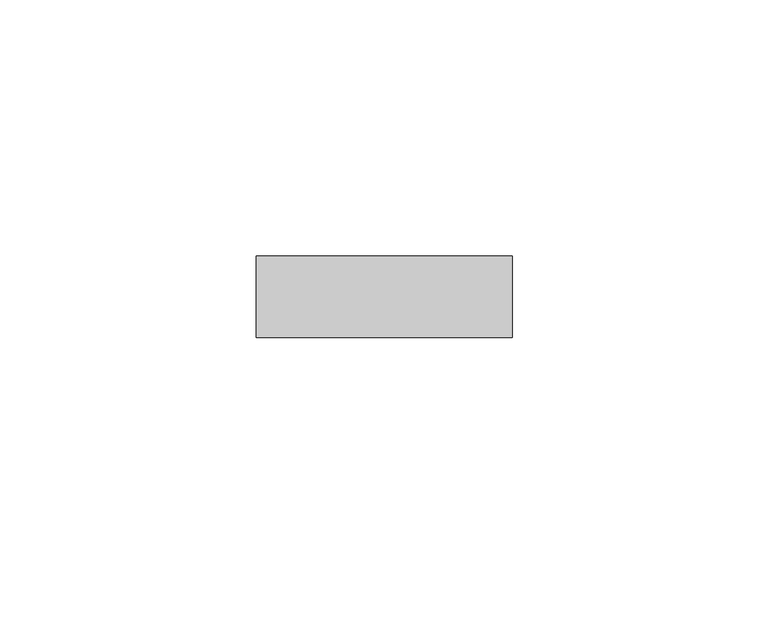
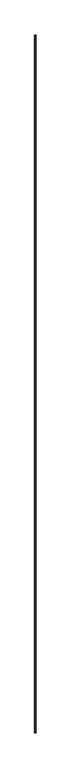
"""IFC4 building model written with IfcOpenShell, lengths in millimetres: proxy geometry."""

import ifcopenshell
import ifcopenshell.guid

model = None  # the IFC model being written
_history = None  # IfcOwnerHistory: only IFC2X3 demands one
_inside = {}  # id of a spatial element -> (the spatial element, [elements in it])
_under = {}  # id of a project, library or spatial element -> (it, [spatial elements below it])
_declared = {}  # id of a project -> (the project, [libraries it declares])
_typed = {}  # id of a type object -> (the type object, [elements of that type])
_made_of = {}  # id of a material, layer set ... -> (it, [elements and type objects made of it])


def new_model(schema):
    """Start an empty IFC model of exactly this schema.

    Asked for "IFC4X3", IfcOpenShell would pick the latest addendum, in which some entities
    have other attributes; the version numbers below select the first issue.
    IFC2X3 requires an IfcOwnerHistory on every rooted entity: one is made here for all.
    """
    global model, _history
    if schema == "IFC4X3":
        model = ifcopenshell.file(schema_version=(4, 3, 0, 0))
    else:
        model = ifcopenshell.file(schema=schema)
    _inside.clear()
    _under.clear()
    _declared.clear()
    _typed.clear()
    _made_of.clear()
    _history = None
    if model.schema == "IFC2X3":
        org = make("IfcOrganization", Name="unknown")
        user = make(
            "IfcPersonAndOrganization",
            ThePerson=make("IfcPerson", FamilyName="unknown"),
            TheOrganization=org,
        )
        app = make(
            "IfcApplication",
            ApplicationDeveloper=org,
            Version="unknown",
            ApplicationFullName="unknown",
            ApplicationIdentifier="unknown",
        )
        _history = make(
            "IfcOwnerHistory",
            OwningUser=user,
            OwningApplication=app,
            ChangeAction="ADDED",
            CreationDate=0,
        )
    return model


def make(cls, **values):
    """One entity of the class cls with the attributes given. An attribute that is None is left unset."""
    return model.create_entity(
        cls, **{name: value for name, value in values.items() if value is not None}
    )


def rooted(cls, **values):
    """An entity with a GlobalId (a new one), such as an element, a storey or a relation."""
    return make(cls, GlobalId=ifcopenshell.guid.new(), OwnerHistory=_history, **values)


def si_unit(unit_type, name, prefix=None):
    """IfcSIUnit, for example si_unit("LENGTHUNIT", "METRE", prefix="MILLI")."""
    return make("IfcSIUnit", UnitType=unit_type, Prefix=prefix, Name=name)


def assignment(units):
    """IfcUnitAssignment: the units of a project."""
    return None if units is None else make("IfcUnitAssignment", Units=units)


def point(xyz):
    """IfcCartesianPoint."""
    return None if xyz is None else make("IfcCartesianPoint", Coordinates=xyz)


def direction(xyz):
    """IfcDirection."""
    return None if xyz is None else make("IfcDirection", DirectionRatios=xyz)


def frame(location, z_axis=None, x_axis=None):
    """IfcAxis2Placement3D, a coordinate frame: its origin and axes. An axis left out is left unset."""
    return make(
        "IfcAxis2Placement3D",
        Location=point(location),
        Axis=direction(z_axis),
        RefDirection=direction(x_axis),
    )


def origin():
    """The frame at (0, 0, 0) with its axes left unset."""
    return frame((0.0, 0.0, 0.0))


def place(relative_to, where):
    """IfcLocalPlacement: puts the frame where relative to a parent placement (None: the world)."""
    return make(
        "IfcLocalPlacement", PlacementRelTo=relative_to, RelativePlacement=where
    )


def context(
    kind, dimensions, precision=None, world=None, true_north=None, identifier=None
):
    """IfcGeometricRepresentationContext, for example the 3D "Model" context."""
    return make(
        "IfcGeometricRepresentationContext",
        ContextIdentifier=identifier,
        ContextType=kind,
        CoordinateSpaceDimension=dimensions,
        Precision=precision,
        WorldCoordinateSystem=world,
        TrueNorth=true_north,
    )


def project(units=None, contexts=None):
    """IfcProject with its units and contexts."""
    return rooted(
        "IfcProject",
        Name="project",
        RepresentationContexts=contexts,
        UnitsInContext=assignment(units),
    )


def spatial(cls, under=None, at=None, **own):
    """A site, building, storey or space (cls), placed at a placement, below another one or the project."""
    s = rooted(cls, ObjectPlacement=at, **own)
    if under is not None:
        _under.setdefault(under.id(), (under, []))[1].append(s)
    return s


def polyline(points):
    """IfcPolyline through the points."""
    return make("IfcPolyline", Points=[point(p) for p in points])


def outline(outer, holes=None, kind="AREA"):
    """IfcArbitraryClosedProfileDef: a profile drawn as a closed curve; with holes, ...WithVoids."""
    if holes is None:
        return make("IfcArbitraryClosedProfileDef", ProfileType=kind, OuterCurve=outer)
    return make(
        "IfcArbitraryProfileDefWithVoids",
        ProfileType=kind,
        OuterCurve=outer,
        InnerCurves=holes,
    )


def extrude(swept, where, along, depth):
    """IfcExtrudedAreaSolid: the profile swept, set in the frame where, extruded along a direction by depth."""
    return make(
        "IfcExtrudedAreaSolid",
        SweptArea=swept,
        Position=where,
        ExtrudedDirection=direction(along),
        Depth=depth,
    )


def shape(context_of_items, identifier, shape_type, items):
    """IfcShapeRepresentation: the items that make up one representation, for example the "Body"."""
    return make(
        "IfcShapeRepresentation",
        ContextOfItems=context_of_items,
        RepresentationIdentifier=identifier,
        RepresentationType=shape_type,
        Items=items,
    )


def source(mapping_origin, context_of_items, identifier, shape_type, items):
    """IfcRepresentationMap: a shape defined once, which mapped items show again and again."""
    return make(
        "IfcRepresentationMap",
        MappingOrigin=mapping_origin,
        MappedRepresentation=shape(context_of_items, identifier, shape_type, items),
    )


def transform(
    local_origin,
    x_axis=None,
    y_axis=None,
    z_axis=None,
    scale=None,
    scale2=None,
    scale3=None,
    uniform=True,
):
    """IfcCartesianTransformationOperator3D, or its non-uniform kind. x_axis, y_axis, z_axis: its Axis1, 2, 3."""
    if uniform:
        return make(
            "IfcCartesianTransformationOperator3D",
            Axis1=direction(x_axis),
            Axis2=direction(y_axis),
            LocalOrigin=point(local_origin),
            Scale=scale,
            Axis3=direction(z_axis),
        )
    return make(
        "IfcCartesianTransformationOperator3DnonUniform",
        Axis1=direction(x_axis),
        Axis2=direction(y_axis),
        LocalOrigin=point(local_origin),
        Scale=scale,
        Axis3=direction(z_axis),
        Scale2=scale2,
        Scale3=scale3,
    )


def mapped(mapping_source, mapping_target):
    """IfcMappedItem: shows the shape of a source again, moved by a transform."""
    return make(
        "IfcMappedItem", MappingSource=mapping_source, MappingTarget=mapping_target
    )


def made_of(thing, what):
    """Note that an element or type object is made of a material, layer set ...; save() writes the relation."""
    if what is not None:
        _made_of.setdefault(what.id(), (what, []))[1].append(thing)
    return thing


def element(
    cls,
    number,
    at=None,
    inside=None,
    cuts=None,
    type_object=None,
    material=None,
    context=None,
    identifier="Body",
    shape_type=None,
    held_by="IfcProductDefinitionShape",
    body=None,
    shapes=None,
    **own,
):
    """One element of the class cls, such as IfcWall. Its Tag is "e" and its number.

    at: its placement. inside: the storey or other place that contains it. cuts: it is an
    opening in that element (IfcRelVoidsElement). A single representation is given by context,
    identifier, shape_type and body (its items); several are given by shapes. held_by: the class
    of the entity that holds the representations. save() writes the other relations.
    """
    e = rooted(cls, Tag="e%d" % number, ObjectPlacement=at, **own)
    if body is not None:
        shapes = [shape(context, identifier, shape_type, body)]
    if shapes is not None:
        e.Representation = make(held_by, Representations=shapes)
    if inside is not None:
        _inside.setdefault(inside.id(), (inside, []))[1].append(e)
    if cuts is not None:
        rooted(
            "IfcRelVoidsElement", RelatingBuildingElement=cuts, RelatedOpeningElement=e
        )
    if type_object is not None:
        _typed.setdefault(type_object.id(), (type_object, []))[1].append(e)
    return made_of(e, material)


def aggregate(whole, parts):
    """IfcRelAggregates: a whole, such as a stair, and the parts it consists of."""
    return rooted("IfcRelAggregates", RelatingObject=whole, RelatedObjects=parts)


def save(model, path):
    """Write the relations noted so far, then the file.

    IfcRelAggregates (storeys below a building ...), IfcRelContainedInSpatialStructure (elements
    in a storey), IfcRelDefinesByType, IfcRelAssociatesMaterial and IfcRelDeclares: one each for
    every whole, place, type object, material and project.
    """
    for whole, parts in _under.values():
        aggregate(whole, parts)
    for where, things in _inside.values():
        rooted(
            "IfcRelContainedInSpatialStructure",
            RelatedElements=things,
            RelatingStructure=where,
        )
    for kind, things in _typed.values():
        rooted("IfcRelDefinesByType", RelatedObjects=things, RelatingType=kind)
    for what, things in _made_of.values():
        rooted("IfcRelAssociatesMaterial", RelatedObjects=things, RelatingMaterial=what)
    for by, libraries in _declared.values():
        rooted("IfcRelDeclares", RelatingContext=by, RelatedDefinitions=libraries)
    model.write(path)


def generic_models_9cc4458a(model_context):
    return source(origin(), model_context, "Body", "SweptSolid", [
        extrude(outline(polyline([(55.5018515, -62.4360182), (5.5018515, -62.4360182), (5.5018515, -46.4360182), (55.5018515, -46.4360182), (55.5018515, -62.4360182)])), frame((0.0, 0.0, -15708.7915119), z_axis=(0.0, 0.0, 1.0), x_axis=(1.0, 0.0, 0.0)), (0.0, 0.0, 1.0), 35917.5830237),
    ])


if __name__ == "__main__":
    model = new_model("IFC4")
    model_context = context("Model", 3, world=origin())
    ifc_project = project(units=[si_unit("LENGTHUNIT", "METRE", prefix="MILLI")], contexts=[model_context])
    site = spatial("IfcSite", under=ifc_project)
    building = spatial("IfcBuilding", under=site)
    placement = place(None, origin())
    generic_models_shape = generic_models_9cc4458a(model_context)
    element("IfcBuildingElementProxy", 1, Name="Generic Models", at=placement, inside=building, context=model_context, shape_type="MappedRepresentation", body=[
        mapped(generic_models_shape, transform((0.0, 0.0, 0.0), x_axis=(1.0, 0.0, 0.0), y_axis=(0.0, 1.0, 0.0), z_axis=(0.0, 0.0, 1.0))),
    ])
    save(model, "model.ifc")
